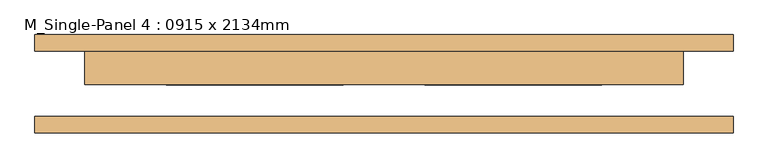
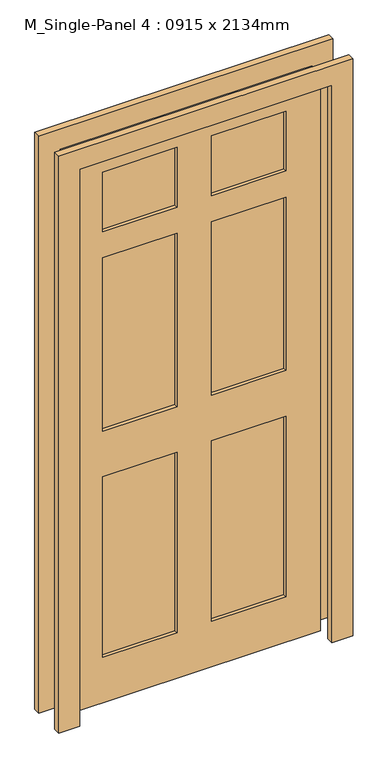
"""IFC4 building model written with IfcOpenShell, lengths in millimetres: door geometry, M_Single-Panel 4 : 0915 x 2134mm."""

from ifc_helpers import new_model, si_unit, frame, origin, place, context, project, spatial, polyline, outline, extrude, source, transform, mapped, element, save


def m_single_panel_4_0915_x_2134mm_25f9e80e(model_context):
    return source(origin(), model_context, "Body", "SweptSolid", [
        extrude(outline(polyline([(0.0, -533.5), (0.0, -457.5), (2134.0, -457.5), (2134.0, 457.5), (0.0, 457.5), (0.0, 533.5), (2210.0, 533.5), (2210.0, -533.5), (0.0, -533.5)])), frame((0.0, -75.0, 0.0), z_axis=(0.0, 1.0, 0.0), x_axis=(0.0, 0.0, 1.0)), (0.0, 0.0, 1.0), 25.0),
        extrude(outline(polyline([(0.0, 533.5), (2210.0, 533.5), (2210.0, -533.5), (0.0, -533.5), (0.0, -457.5), (2134.0, -457.5), (2134.0, 457.5), (0.0, 457.5), (0.0, 533.5)])), frame((0.0, 50.4, 0.0), z_axis=(0.0, 1.0, 0.0), x_axis=(0.0, 0.0, 1.0)), (0.0, 0.0, 1.0), 25.0),
        extrude(outline(polyline([(-62.5, 11.7), (-332.5, 11.7), (-332.5, 37.3), (-62.5, 37.3), (-62.5, 11.7)])), frame((0.0, 0.0, 1805.4), z_axis=(0.0, 0.0, 1.0), x_axis=(1.0, 0.0, 0.0)), (0.0, 0.0, 1.0), 228.6),
        extrude(outline(polyline([(332.5, 11.7), (62.5, 11.7), (62.5, 37.3), (332.5, 37.3), (332.5, 11.7)])), frame((0.0, 0.0, 1805.4), z_axis=(0.0, 0.0, 1.0), x_axis=(1.0, 0.0, 0.0)), (0.0, 0.0, 1.0), 228.6),
        extrude(outline(polyline([(-62.5, 11.7), (-332.5, 11.7), (-332.5, 37.3), (-62.5, 37.3), (-62.5, 11.7)])), frame((0.0, 0.0, 1041.4), z_axis=(0.0, 0.0, 1.0), x_axis=(1.0, 0.0, 0.0)), (0.0, 0.0, 1.0), 664.0),
        extrude(outline(polyline([(332.5, 11.7), (62.5, 11.7), (62.5, 37.3), (332.5, 37.3), (332.5, 11.7)])), frame((0.0, 0.0, 1041.4), z_axis=(0.0, 0.0, 1.0), x_axis=(1.0, 0.0, 0.0)), (0.0, 0.0, 1.0), 664.0),
        extrude(outline(polyline([(-62.5, 11.7), (-332.5, 11.7), (-332.5, 37.3), (-62.5, 37.3), (-62.5, 11.7)])), frame((0.0, 0.0, 175.0), z_axis=(0.0, 0.0, 1.0), x_axis=(1.0, 0.0, 0.0)), (0.0, 0.0, 1.0), 691.4),
        extrude(outline(polyline([(332.5, 11.7), (62.5, 11.7), (62.5, 37.3), (332.5, 37.3), (332.5, 11.7)])), frame((0.0, 0.0, 175.0), z_axis=(0.0, 0.0, 1.0), x_axis=(1.0, 0.0, 0.0)), (0.0, 0.0, 1.0), 691.4),
        extrude(outline(polyline([(2134.0, 457.5), (2134.0, -457.5), (0.0, -457.5), (0.0, 457.5), (2134.0, 457.5)]), holes=[polyline([(2034.0, -62.5), (1805.4, -62.5), (1805.4, -332.5), (2034.0, -332.5), (2034.0, -62.5)]), polyline([(2034.0, 332.5), (1805.4, 332.5), (1805.4, 62.5), (2034.0, 62.5), (2034.0, 332.5)]), polyline([(1705.4, -62.5), (1041.4, -62.5), (1041.4, -332.5), (1705.4, -332.5), (1705.4, -62.5)]), polyline([(1705.4, 332.5), (1041.4, 332.5), (1041.4, 62.5), (1705.4, 62.5), (1705.4, 332.5)]), polyline([(866.4, -62.5), (175.0, -62.5), (175.0, -332.5), (866.4, -332.5), (866.4, -62.5)]), polyline([(866.4, 332.5), (175.0, 332.5), (175.0, 62.5), (866.4, 62.5), (866.4, 332.5)])]), frame((0.0, -1.0, 0.0), z_axis=(0.0, 1.0, 0.0), x_axis=(0.0, 0.0, 1.0)), (0.0, 0.0, 1.0), 51.0),
    ])


if __name__ == "__main__":
    model = new_model("IFC4")
    model_context = context("Model", 3, world=origin())
    ifc_project = project(units=[si_unit("LENGTHUNIT", "METRE", prefix="MILLI")], contexts=[model_context])
    site = spatial("IfcSite", under=ifc_project)
    building = spatial("IfcBuilding", under=site)
    placement = place(None, origin())
    m_single_panel_4_0915_x_2134mm_shape = m_single_panel_4_0915_x_2134mm_25f9e80e(model_context)
    element("IfcDoor", 1, ObjectType="M_Single-Panel 4 : 0915 x 2134mm", at=placement, inside=building, context=model_context, shape_type="MappedRepresentation", body=[
        mapped(m_single_panel_4_0915_x_2134mm_shape, transform((0.0, 0.0, 0.0), x_axis=(1.0, 0.0, 0.0), y_axis=(0.0, 1.0, 0.0), z_axis=(0.0, 0.0, 1.0))),
    ])
    save(model, "model.ifc")
